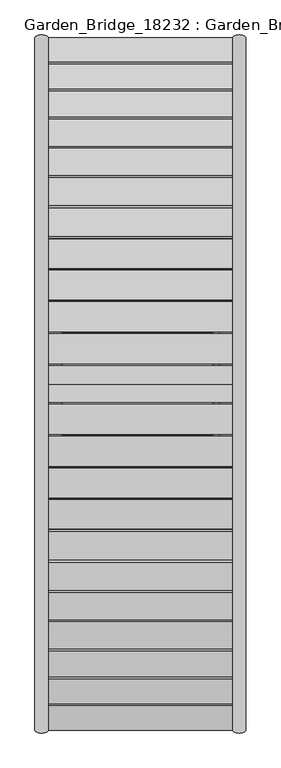
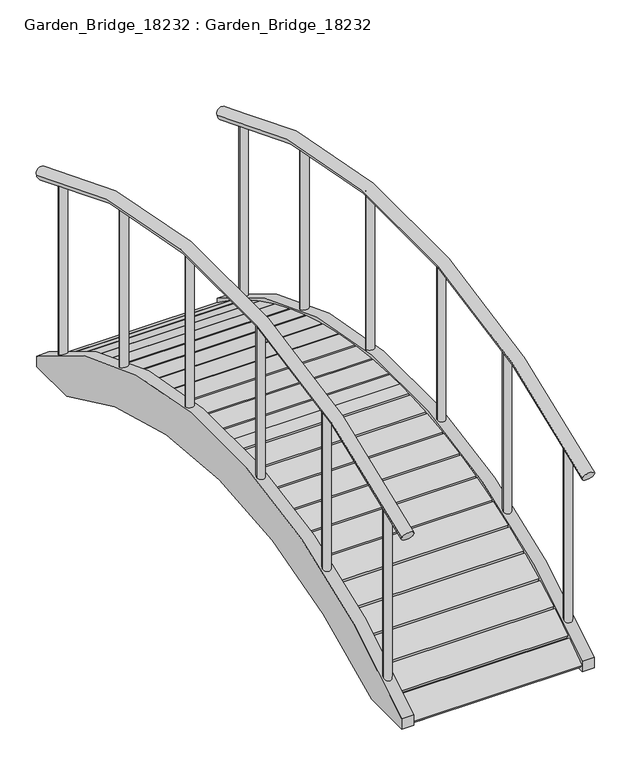
"""IFC4 building model written with IfcOpenShell, lengths in millimetres: furniture geometry, Garden_Bridge_18232 : Garden_Bridge_18232."""

from ifc_helpers import new_model, si_unit, point, frame, frame_2d, origin, place, context, project, spatial, polyline, circle_curve, ellipse_curve, trimmed, segment, composite_curve, outline, extrude, source, transform, mapped, element, save
from ifc_brep_helpers import plane_surface, revolved_surface, advanced_brep


def garden_bridge_18232_garden_bridge_18232_38fe058c(model_context):
    return source(origin(), model_context, "Body", "SolidModel", [
        extrude(outline(composite_curve([segment(trimmed(circle_curve(frame_2d((1687.5, 2386.9966069)), 15.0), [point((1672.5, 2386.9966069))], [point((1702.5, 2386.9966069))], False, "CARTESIAN"), True, "CONTINUOUS"), segment(trimmed(circle_curve(frame_2d((1687.5, 2386.9966069)), 15.0), [point((1702.5, 2386.9966069))], [point((1672.5, 2386.9966069))], False, "CARTESIAN"), True, "CONTINUOUS")], self_intersect=False)), frame((0.0, 0.0, 795.6979368), z_axis=(0.0, 0.0, 1.0), x_axis=(1.0, 0.0, 0.0)), (0.0, 0.0, 1.0), 695.0),
        extrude(outline(composite_curve([segment(trimmed(circle_curve(frame_2d((1022.5, 1514.161666)), 15.0), [point((1037.5, 1514.161666))], [point((1007.5, 1514.161666))], False, "CARTESIAN"), True, "CONTINUOUS"), segment(trimmed(circle_curve(frame_2d((1022.5, 1514.161666)), 15.0), [point((1007.5, 1514.161666))], [point((1037.5, 1514.161666))], False, "CARTESIAN"), True, "CONTINUOUS")], self_intersect=False)), frame((0.0, 0.0, 727.809595), z_axis=(0.0, 0.0, 1.0), x_axis=(1.0, 0.0, 0.0)), (0.0, 0.0, 1.0), 695.0),
        extrude(outline(composite_curve([segment(trimmed(circle_curve(frame_2d((1022.5, 1934.2337198)), 15.0), [point((1037.5, 1934.2337198))], [point((1007.5, 1934.2337198))], False, "CARTESIAN"), True, "CONTINUOUS"), segment(trimmed(circle_curve(frame_2d((1022.5, 1934.2337198)), 15.0), [point((1007.5, 1934.2337198))], [point((1037.5, 1934.2337198))], False, "CARTESIAN"), True, "CONTINUOUS")], self_intersect=False)), frame((0.0, 0.0, 795.6979368), z_axis=(0.0, 0.0, 1.0), x_axis=(1.0, 0.0, 0.0)), (0.0, 0.0, 1.0), 695.0),
        extrude(outline(composite_curve([segment(trimmed(circle_curve(frame_2d((1022.5, 2386.9966069)), 15.0), [point((1037.5, 2386.9966069))], [point((1007.5, 2386.9966069))], False, "CARTESIAN"), True, "CONTINUOUS"), segment(trimmed(circle_curve(frame_2d((1022.5, 2386.9966069)), 15.0), [point((1007.5, 2386.9966069))], [point((1037.5, 2386.9966069))], False, "CARTESIAN"), True, "CONTINUOUS")], self_intersect=False)), frame((0.0, 0.0, 795.6979368), z_axis=(0.0, 0.0, 1.0), x_axis=(1.0, 0.0, 0.0)), (0.0, 0.0, 1.0), 695.0),
        extrude(outline(composite_curve([segment(trimmed(circle_curve(frame_2d((1022.5, 2807.0686606)), 15.0), [point((1037.5, 2807.0686606))], [point((1007.5, 2807.0686606))], False, "CARTESIAN"), True, "CONTINUOUS"), segment(trimmed(circle_curve(frame_2d((1022.5, 2807.0686606)), 15.0), [point((1007.5, 2807.0686606))], [point((1037.5, 2807.0686606))], False, "CARTESIAN"), True, "CONTINUOUS")], self_intersect=False)), frame((0.0, 0.0, 727.809595), z_axis=(0.0, 0.0, 1.0), x_axis=(1.0, 0.0, 0.0)), (0.0, 0.0, 1.0), 695.0),
        extrude(outline(composite_curve([segment(trimmed(circle_curve(frame_2d((1022.5, 3195.0213707)), 15.0), [point((1037.5, 3195.0213707))], [point((1007.5, 3195.0213707))], False, "CARTESIAN"), True, "CONTINUOUS"), segment(trimmed(circle_curve(frame_2d((1022.5, 3195.0213707)), 15.0), [point((1007.5, 3195.0213707))], [point((1037.5, 3195.0213707))], False, "CARTESIAN"), True, "CONTINUOUS")], self_intersect=False)), frame((0.0, 0.0, 584.3013656), z_axis=(0.0, 0.0, 1.0), x_axis=(1.0, 0.0, 0.0)), (0.0, 0.0, 1.0), 695.0),
        extrude(outline(composite_curve([segment(trimmed(circle_curve(frame_2d((1687.5, 3195.0213707)), 15.0), [point((1672.5, 3195.0213707))], [point((1702.5, 3195.0213707))], False, "CARTESIAN"), True, "CONTINUOUS"), segment(trimmed(circle_curve(frame_2d((1687.5, 3195.0213707)), 15.0), [point((1702.5, 3195.0213707))], [point((1672.5, 3195.0213707))], False, "CARTESIAN"), True, "CONTINUOUS")], self_intersect=False)), frame((0.0, 0.0, 584.3013656), z_axis=(0.0, 0.0, 1.0), x_axis=(1.0, 0.0, 0.0)), (0.0, 0.0, 1.0), 695.0),
        extrude(outline(composite_curve([segment(trimmed(circle_curve(frame_2d((1687.5, 2807.0686606)), 15.0), [point((1672.5, 2807.0686606))], [point((1702.5, 2807.0686606))], False, "CARTESIAN"), True, "CONTINUOUS"), segment(trimmed(circle_curve(frame_2d((1687.5, 2807.0686606)), 15.0), [point((1702.5, 2807.0686606))], [point((1672.5, 2807.0686606))], False, "CARTESIAN"), True, "CONTINUOUS")], self_intersect=False)), frame((0.0, 0.0, 727.809595), z_axis=(0.0, 0.0, 1.0), x_axis=(1.0, 0.0, 0.0)), (0.0, 0.0, 1.0), 695.0),
        extrude(outline(composite_curve([segment(trimmed(circle_curve(frame_2d((1687.5, 1934.2337198)), 15.0), [point((1672.5, 1934.2337198))], [point((1702.5, 1934.2337198))], False, "CARTESIAN"), True, "CONTINUOUS"), segment(trimmed(circle_curve(frame_2d((1687.5, 1934.2337198)), 15.0), [point((1702.5, 1934.2337198))], [point((1672.5, 1934.2337198))], False, "CARTESIAN"), True, "CONTINUOUS")], self_intersect=False)), frame((0.0, 0.0, 795.6979368), z_axis=(0.0, 0.0, 1.0), x_axis=(1.0, 0.0, 0.0)), (0.0, 0.0, 1.0), 695.0),
        extrude(outline(composite_curve([segment(trimmed(circle_curve(frame_2d((1687.5, 1514.161666)), 15.0), [point((1672.5, 1514.161666))], [point((1702.5, 1514.161666))], False, "CARTESIAN"), True, "CONTINUOUS"), segment(trimmed(circle_curve(frame_2d((1687.5, 1514.161666)), 15.0), [point((1702.5, 1514.161666))], [point((1672.5, 1514.161666))], False, "CARTESIAN"), True, "CONTINUOUS")], self_intersect=False)), frame((0.0, 0.0, 727.809595), z_axis=(0.0, 0.0, 1.0), x_axis=(1.0, 0.0, 0.0)), (0.0, 0.0, 1.0), 695.0),
        extrude(outline(composite_curve([segment(trimmed(circle_curve(frame_2d((1687.5, 1126.2089559)), 15.0), [point((1672.5, 1126.2089559))], [point((1702.5, 1126.2089559))], False, "CARTESIAN"), True, "CONTINUOUS"), segment(trimmed(circle_curve(frame_2d((1687.5, 1126.2089559)), 15.0), [point((1702.5, 1126.2089559))], [point((1672.5, 1126.2089559))], False, "CARTESIAN"), True, "CONTINUOUS")], self_intersect=False)), frame((0.0, 0.0, 584.3013656), z_axis=(0.0, 0.0, 1.0), x_axis=(1.0, 0.0, 0.0)), (0.0, 0.0, 1.0), 695.0),
        extrude(outline(composite_curve([segment(trimmed(circle_curve(frame_2d((1022.5, 1126.2089559)), 15.0), [point((1007.5, 1126.2089559))], [point((1037.5, 1126.2089559))], False, "CARTESIAN"), True, "CONTINUOUS"), segment(trimmed(circle_curve(frame_2d((1022.5, 1126.2089559)), 15.0), [point((1037.5, 1126.2089559))], [point((1007.5, 1126.2089559))], False, "CARTESIAN"), True, "CONTINUOUS")], self_intersect=False)), frame((0.0, 0.0, 584.3013656), z_axis=(0.0, 0.0, 1.0), x_axis=(1.0, 0.0, 0.0)), (0.0, 0.0, 1.0), 695.0),
        advanced_brep(
        [(1710.0, 996.2188274, 1223.2400798), (1665.0, 996.2188274, 1223.2400798), (1710.0, 3325.0114992, 1223.2400798), (1665.0, 3325.0114992, 1223.2400798)],
        [
            (0, 1, circle_curve(frame((1687.5, 996.2188274, 1223.2400798), z_axis=(0.0, -0.8901211417157568, -0.45572398781569257), x_axis=(-1.0, 0.0, 0.0)), 22.5)),
            (1, 0, circle_curve(frame((1687.5, 996.2188274, 1223.2400798), z_axis=(0.0, -0.8901211417157568, -0.45572398781569257), x_axis=(-1.0, 0.0, 0.0)), 22.5)),
            (2, 3, circle_curve(frame((1687.5, 3325.0114992, 1223.2400798), z_axis=(0.0, 0.8901211417157651, -0.45572398781567647), x_axis=(-1.0, 0.0, 0.0)), 22.5)),
            (3, 2, circle_curve(frame((1687.5, 3325.0114992, 1223.2400798), z_axis=(0.0, 0.8901211417157651, -0.45572398781567647), x_axis=(-1.0, 0.0, 0.0)), 22.5)),
            (3, 1, circle_curve(frame((1665.0, 2160.6151633, -1051.0615229), z_axis=(1.0, 0.0, 0.0), x_axis=(0.0, -0.45572398781569573, 0.8901211417157552)), 2555.0472808)),
            (0, 2, circle_curve(frame((1710.0, 2160.6151633, -1051.0615229), z_axis=(-1.0, 0.0, 0.0), x_axis=(0.0, -0.45572398781569573, 0.8901211417157552)), 2555.0472808)),
        ],
        [
            plane_surface(frame((1687.5, 996.2188274, 1223.2400798), z_axis=(0.0, -0.8901211417157553, -0.4557239878156958), x_axis=(1.0, 0.0, 0.0))),
            plane_surface(frame((1687.5, 3325.0114992, 1223.2400798), z_axis=(0.0, 0.8901211417157667, -0.4557239878156733), x_axis=(1.0, 0.0, 0.0))),
            revolved_surface(trimmed(ellipse_curve(frame((1687.5, 996.2188274, 1223.2400798), z_axis=(0.0, -0.8901211417157568, -0.45572398781569257), x_axis=(-1.0, 0.0, 0.0)), 22.5, 22.5), [point((1710.0, 996.2188274, 1223.2400798))], [point((1665.0, 996.2188274, 1223.2400798))], True, "CARTESIAN"), (1687.5, 2160.6151633, -1051.0615229), (-1.0, 0.0, 0.0)),
            revolved_surface(trimmed(ellipse_curve(frame((1687.5, 996.2188274, 1223.2400798), z_axis=(0.0, -0.8901211417157568, -0.45572398781569257), x_axis=(-1.0, 0.0, 0.0)), 22.5, 22.5), [point((1665.0, 996.2188274, 1223.2400798))], [point((1710.0, 996.2188274, 1223.2400798))], True, "CARTESIAN"), (1687.5, 2160.6151633, -1051.0615229), (-1.0, 0.0, 0.0)),
        ],
        [
            (0, [[1, 2]]),
            (1, [[3, 4]]),
            (2, [[5, -1, 6, -4]]),
            (3, [[-6, -2, -5, -3]]),
        ],
    ),
        advanced_brep(
        [(1045.0, 996.2188274, 1223.2400798), (1000.0, 996.2188274, 1223.2400798), (1045.0, 3325.0114992, 1223.2400798), (1000.0, 3325.0114992, 1223.2400798)],
        [
            (0, 1, circle_curve(frame((1022.5, 996.2188274, 1223.2400798), z_axis=(0.0, -0.8901211417157568, -0.45572398781569257), x_axis=(-1.0, 0.0, 0.0)), 22.5)),
            (1, 0, circle_curve(frame((1022.5, 996.2188274, 1223.2400798), z_axis=(0.0, -0.8901211417157568, -0.45572398781569257), x_axis=(-1.0, 0.0, 0.0)), 22.5)),
            (2, 3, circle_curve(frame((1022.5, 3325.0114992, 1223.2400798), z_axis=(0.0, 0.8901211417157651, -0.45572398781567647), x_axis=(-1.0, 0.0, 0.0)), 22.5)),
            (3, 2, circle_curve(frame((1022.5, 3325.0114992, 1223.2400798), z_axis=(0.0, 0.8901211417157651, -0.45572398781567647), x_axis=(-1.0, 0.0, 0.0)), 22.5)),
            (3, 1, circle_curve(frame((1000.0, 2160.6151633, -1051.0615229), z_axis=(1.0, 0.0, 0.0), x_axis=(0.0, -0.45572398781569573, 0.8901211417157552)), 2555.0472808)),
            (0, 2, circle_curve(frame((1045.0, 2160.6151633, -1051.0615229), z_axis=(-1.0, 0.0, 0.0), x_axis=(0.0, -0.45572398781569573, 0.8901211417157552)), 2555.0472808)),
        ],
        [
            plane_surface(frame((1022.5, 996.2188274, 1223.2400798), z_axis=(0.0, -0.8901211417157553, -0.4557239878156958), x_axis=(1.0, 0.0, 0.0))),
            plane_surface(frame((1022.5, 3325.0114992, 1223.2400798), z_axis=(0.0, 0.8901211417157667, -0.4557239878156733), x_axis=(1.0, 0.0, 0.0))),
            revolved_surface(trimmed(ellipse_curve(frame((1022.5, 996.2188274, 1223.2400798), z_axis=(0.0, -0.8901211417157568, -0.45572398781569257), x_axis=(-1.0, 0.0, 0.0)), 22.5, 22.5), [point((1045.0, 996.2188274, 1223.2400798))], [point((1000.0, 996.2188274, 1223.2400798))], True, "CARTESIAN"), (1022.5, 2160.6151633, -1051.0615229), (-1.0, 0.0, 0.0)),
            revolved_surface(trimmed(ellipse_curve(frame((1022.5, 996.2188274, 1223.2400798), z_axis=(0.0, -0.8901211417157568, -0.45572398781569257), x_axis=(-1.0, 0.0, 0.0)), 22.5, 22.5), [point((1000.0, 996.2188274, 1223.2400798))], [point((1045.0, 996.2188274, 1223.2400798))], True, "CARTESIAN"), (1022.5, 2160.6151633, -1051.0615229), (-1.0, 0.0, 0.0)),
        ],
        [
            (0, [[1, 2]]),
            (1, [[3, 4]]),
            (2, [[5, -1, 6, -4]]),
            (3, [[-6, -2, -5, -3]]),
        ],
    ),
        extrude(outline(composite_curve([segment(trimmed(circle_curve(frame_2d((2160.6151633, -1179.7863941)), 1915.0472808), [point((3133.4714416, 469.745888))], [point((1187.758885, 469.745888))], True, "CARTESIAN"), True, "CONTINUOUS"), segment(polyline([(1187.758885, 469.745888), (996.2188274, 469.745888), (996.2188274, 510.6883887)]), True, "CONTINUOUS"), segment(trimmed(circle_curve(frame_2d((2160.6151633, -1059.7863941)), 1955.0472808), [point((996.2188274, 510.6883887))], [point((3325.0114992, 510.6883887))], False, "CARTESIAN"), True, "CONTINUOUS"), segment(polyline([(3325.0114992, 510.6883887), (3325.0114992, 469.745888), (3133.4714416, 469.745888)]), True, "CONTINUOUS")], self_intersect=False)), frame((1665.0, 0.0, 0.0), z_axis=(1.0, 0.0, 0.0), x_axis=(0.0, 1.0, 0.0)), (0.0, 0.0, 1.0), 45.0),
        extrude(outline(composite_curve([segment(trimmed(circle_curve(frame_2d((2160.6151633, -1171.0615229)), 1915.0472808), [point((3133.4714416, 478.4707591))], [point((1187.758885, 478.4707591))], True, "CARTESIAN"), True, "CONTINUOUS"), segment(polyline([(1187.758885, 478.4707591), (996.2188274, 478.4707591), (996.2188274, 519.4132598)]), True, "CONTINUOUS"), segment(trimmed(circle_curve(frame_2d((2160.6151633, -1051.0615229)), 1955.0472808), [point((996.2188274, 519.4132598))], [point((3325.0114992, 519.4132598))], False, "CARTESIAN"), True, "CONTINUOUS"), segment(polyline([(3325.0114992, 519.4132598), (3325.0114992, 478.4707591), (3133.4714416, 478.4707591)]), True, "CONTINUOUS")], self_intersect=False)), frame((1000.0, 0.0, 0.0), z_axis=(1.0, 0.0, 0.0), x_axis=(0.0, 1.0, 0.0)), (0.0, 0.0, 1.0), 45.0),
        extrude(outline(composite_curve([segment(trimmed(circle_curve(frame_2d((2160.6151633, -1171.0615229)), 1915.0472808), [point((3133.4714416, 478.4707591))], [point((1187.758885, 478.4707591))], True, "CARTESIAN"), True, "CONTINUOUS"), segment(polyline([(1187.758885, 478.4707591), (1008.2536376, 478.4707591)]), True, "CONTINUOUS"), segment(trimmed(circle_curve(frame_2d((2160.6151633, -1051.0615229)), 1915.0472808), [point((1008.2536376, 478.4707591))], [point((3312.976689, 478.4707591))], False, "CARTESIAN"), True, "CONTINUOUS"), segment(polyline([(3312.976689, 478.4707591), (3133.4714416, 478.4707591)]), True, "CONTINUOUS")], self_intersect=False)), frame((1622.5, 0.0, 0.0), z_axis=(1.0, 0.0, 0.0), x_axis=(0.0, 1.0, 0.0)), (0.0, 0.0, 1.0), 45.0),
        extrude(outline(composite_curve([segment(trimmed(circle_curve(frame_2d((2160.6151633, -1171.0615229)), 1915.0472808), [point((3133.4714416, 478.4707591))], [point((1187.758885, 478.4707591))], True, "CARTESIAN"), True, "CONTINUOUS"), segment(polyline([(1187.758885, 478.4707591), (1008.2536376, 478.4707591)]), True, "CONTINUOUS"), segment(trimmed(circle_curve(frame_2d((2160.6151633, -1051.0615229)), 1915.0472808), [point((1008.2536376, 478.4707591))], [point((3312.976689, 478.4707591))], False, "CARTESIAN"), True, "CONTINUOUS"), segment(polyline([(3312.976689, 478.4707591), (3133.4714416, 478.4707591)]), True, "CONTINUOUS")], self_intersect=False)), frame((1600.0, 0.0, 0.0), z_axis=(1.0, 0.0, 0.0), x_axis=(0.0, 1.0, 0.0)), (0.0, 0.0, 1.0), 45.0),
        extrude(outline(composite_curve([segment(polyline([(3232.3968488, 535.9766324), (3243.5901148, 552.5510342)]), True, "CONTINUOUS"), segment(trimmed(circle_curve(frame_2d((2160.6151633, -1051.0615229)), 1935.0472808), [point((3243.5901148, 552.5510342))], [point((3325.0114992, 494.4445922))], False, "CARTESIAN"), True, "CONTINUOUS"), segment(polyline([(3325.0114992, 494.4445922), (3312.976689, 478.4707591)]), True, "CONTINUOUS"), segment(trimmed(circle_curve(frame_2d((2160.6151633, -1051.0615229)), 1915.0472808), [point((3312.976689, 478.4707591))], [point((3232.3968488, 535.9766324))], True, "CARTESIAN"), True, "CONTINUOUS")], self_intersect=False)), frame((1045.0, 0.0, 0.0), z_axis=(1.0, 0.0, 0.0), x_axis=(0.0, 1.0, 0.0)), (0.0, 0.0, 1.0), 622.5),
        extrude(outline(composite_curve([segment(trimmed(circle_curve(frame_2d((2160.6151633, -1051.0615229)), 1935.0472808), [point((2160.6151633, 883.9857579))], [point((2221.4219681, 883.0301273))], False, "CARTESIAN"), True, "CONTINUOUS"), segment(polyline([(2221.4219681, 883.0301273), (2220.7108441, 863.0426009)]), True, "CONTINUOUS"), segment(trimmed(circle_curve(frame_2d((2160.6151633, -1051.0615229)), 1915.0472808), [point((2220.7108441, 863.0426009))], [point((2160.6151633, 863.9857579))], True, "CARTESIAN"), True, "CONTINUOUS"), segment(polyline([(2160.6151633, 863.9857579), (2160.6151633, 883.9857579)]), True, "CONTINUOUS")], self_intersect=False)), frame((1045.0, 0.0, 0.0), z_axis=(1.0, 0.0, 0.0), x_axis=(0.0, 1.0, 0.0)), (0.0, 0.0, 1.0), 622.5),
        extrude(outline(composite_curve([segment(trimmed(circle_curve(frame_2d((2160.6151633, -1051.0615229)), 1915.0472808), [point((3225.7577362, 540.440091))], [point((3142.1495131, 593.3217681))], True, "CARTESIAN"), True, "CONTINUOUS"), segment(polyline([(3142.1495131, 593.3217681), (3152.4002715, 610.49506)]), True, "CONTINUOUS"), segment(trimmed(circle_curve(frame_2d((2160.6151633, -1051.0615229)), 1935.0472808), [point((3152.4002715, 610.49506))], [point((3236.9510989, 557.014636))], False, "CARTESIAN"), True, "CONTINUOUS"), segment(polyline([(3236.9510989, 557.014636), (3225.7577362, 540.440091)]), True, "CONTINUOUS")], self_intersect=False)), frame((1045.0, 0.0, 0.0), z_axis=(1.0, 0.0, 0.0), x_axis=(0.0, 1.0, 0.0)), (0.0, 0.0, 1.0), 622.5),
        extrude(outline(composite_curve([segment(polyline([(3048.8422688, 645.5405803), (3058.1185631, 663.2592249)]), True, "CONTINUOUS"), segment(trimmed(circle_curve(frame_2d((2160.6151633, -1051.0615229)), 1935.0472808), [point((3058.1185631, 663.2592249))], [point((3145.5224789, 614.5811635))], False, "CARTESIAN"), True, "CONTINUOUS"), segment(polyline([(3145.5224789, 614.5811635), (3135.271632, 597.4077233)]), True, "CONTINUOUS"), segment(trimmed(circle_curve(frame_2d((2160.6151633, -1051.0615229)), 1915.0472808), [point((3135.271632, 597.4077233))], [point((3048.8422688, 645.5405803))], True, "CARTESIAN"), True, "CONTINUOUS")], self_intersect=False)), frame((1045.0, 0.0, 0.0), z_axis=(1.0, 0.0, 0.0), x_axis=(0.0, 1.0, 0.0)), (0.0, 0.0, 1.0), 622.5),
        extrude(outline(composite_curve([segment(polyline([(2952.7659989, 692.4702782), (2961.0389104, 710.679038)]), True, "CONTINUOUS"), segment(trimmed(circle_curve(frame_2d((2160.6151633, -1051.0615229)), 1935.0472808), [point((2961.0389104, 710.679038))], [point((3051.0234351, 666.9550918))], False, "CARTESIAN"), True, "CONTINUOUS"), segment(polyline([(3051.0234351, 666.9550918), (3041.7470607, 649.2362943)]), True, "CONTINUOUS"), segment(trimmed(circle_curve(frame_2d((2160.6151633, -1051.0615229)), 1915.0472808), [point((3041.7470607, 649.2362943))], [point((2952.7659989, 692.4702782))], True, "CARTESIAN"), True, "CONTINUOUS")], self_intersect=False)), frame((1045.0, 0.0, 0.0), z_axis=(1.0, 0.0, 0.0), x_axis=(0.0, 1.0, 0.0)), (0.0, 0.0, 1.0), 622.5),
        extrude(outline(composite_curve([segment(polyline([(2854.2202186, 733.9645595), (2861.4639568, 752.6066693)]), True, "CONTINUOUS"), segment(trimmed(circle_curve(frame_2d((2160.6151633, -1051.0615229)), 1935.0472808), [point((2861.4639568, 752.6066693))], [point((2953.7485659, 713.9731466))], False, "CARTESIAN"), True, "CONTINUOUS"), segment(polyline([(2953.7485659, 713.9731466), (2945.475583, 695.7642295)]), True, "CONTINUOUS"), segment(trimmed(circle_curve(frame_2d((2160.6151633, -1051.0615229)), 1915.0472808), [point((2945.475583, 695.7642295))], [point((2854.2202186, 733.9645595))], True, "CARTESIAN"), True, "CONTINUOUS")], self_intersect=False)), frame((1045.0, 0.0, 0.0), z_axis=(1.0, 0.0, 0.0), x_axis=(0.0, 1.0, 0.0)), (0.0, 0.0, 1.0), 622.5),
        extrude(outline(composite_curve([segment(polyline([(2753.5121421, 769.894067), (2759.7041247, 788.9114104)]), True, "CONTINUOUS"), segment(trimmed(circle_curve(frame_2d((2160.6151633, -1051.0615229)), 1935.0472808), [point((2759.7041247, 788.9114104))], [point((2854.0011233, 755.4887502))], False, "CARTESIAN"), True, "CONTINUOUS"), segment(polyline([(2854.0011233, 755.4887502), (2846.7573226, 736.8464795)]), True, "CONTINUOUS"), segment(trimmed(circle_curve(frame_2d((2160.6151633, -1051.0615229)), 1915.0472808), [point((2846.7573226, 736.8464795))], [point((2753.5121421, 769.894067))], True, "CARTESIAN"), True, "CONTINUOUS")], self_intersect=False)), frame((1045.0, 0.0, 0.0), z_axis=(1.0, 0.0, 0.0), x_axis=(0.0, 1.0, 0.0)), (0.0, 0.0, 1.0), 622.5),
        extrude(outline(composite_curve([segment(polyline([(2650.9557241, 800.1467912), (2656.0766479, 819.4800821)]), True, "CONTINUOUS"), segment(trimmed(circle_curve(frame_2d((2160.6151633, -1051.0615229)), 1935.0472808), [point((2656.0766479, 819.4800821))], [point((2752.0920675, 791.3724788))], False, "CARTESIAN"), True, "CONTINUOUS"), segment(polyline([(2752.0920675, 791.3724788), (2745.9000313, 772.3549712)]), True, "CONTINUOUS"), segment(trimmed(circle_curve(frame_2d((2160.6151633, -1051.0615229)), 1915.0472808), [point((2745.9000313, 772.3549712))], [point((2650.9557241, 800.1467912))], True, "CARTESIAN"), True, "CONTINUOUS")], self_intersect=False)), frame((1045.0, 0.0, 0.0), z_axis=(1.0, 0.0, 0.0), x_axis=(0.0, 1.0, 0.0)), (0.0, 0.0, 1.0), 622.5),
        extrude(outline(composite_curve([segment(polyline([(2546.8706818, 824.6284201), (2550.9045824, 844.2173875)]), True, "CONTINUOUS"), segment(trimmed(circle_curve(frame_2d((2160.6151633, -1051.0615229)), 1935.0472808), [point((2550.9045824, 844.2173875))], [point((2648.3390972, 821.5124658))], False, "CARTESIAN"), True, "CONTINUOUS"), segment(polyline([(2648.3390972, 821.5124658), (2643.2181292, 802.1790079)]), True, "CONTINUOUS"), segment(trimmed(circle_curve(frame_2d((2160.6151633, -1051.0615229)), 1915.0472808), [point((2643.2181292, 802.1790079))], [point((2546.8706818, 824.6284201))], True, "CARTESIAN"), True, "CONTINUOUS")], self_intersect=False)), frame((1045.0, 0.0, 0.0), z_axis=(1.0, 0.0, 0.0), x_axis=(0.0, 1.0, 0.0)), (0.0, 0.0, 1.0), 622.5),
        extrude(outline(composite_curve([segment(polyline([(2441.5814976, 843.2626328), (2444.5157994, 863.0462086)]), True, "CONTINUOUS"), segment(trimmed(circle_curve(frame_2d((2160.6151633, -1051.0615229)), 1935.0472808), [point((2444.5157994, 863.0462086))], [point((2543.0656599, 845.8147505))], False, "CARTESIAN"), True, "CONTINUOUS"), segment(polyline([(2543.0656599, 845.8147505), (2539.0317245, 826.2256139)]), True, "CONTINUOUS"), segment(trimmed(circle_curve(frame_2d((2160.6151633, -1051.0615229)), 1915.0472808), [point((2539.0317245, 826.2256139))], [point((2441.5814976, 843.2626328))], True, "CARTESIAN"), True, "CONTINUOUS")], self_intersect=False)), frame((1045.0, 0.0, 0.0), z_axis=(1.0, 0.0, 0.0), x_axis=(0.0, 1.0, 0.0)), (0.0, 0.0, 1.0), 622.5),
        extrude(outline(composite_curve([segment(polyline([(2335.4164079, 855.9913376), (2337.2419633, 875.907847)]), True, "CONTINUOUS"), segment(trimmed(circle_curve(frame_2d((2160.6151633, -1051.0615229)), 1935.0472808), [point((2337.2419633, 875.907847))], [point((2436.5999428, 864.2035711))], False, "CARTESIAN"), True, "CONTINUOUS"), segment(polyline([(2436.5999428, 864.2035711), (2433.6656157, 844.4198244)]), True, "CONTINUOUS"), segment(trimmed(circle_curve(frame_2d((2160.6151633, -1051.0615229)), 1915.0472808), [point((2433.6656157, 844.4198244))], [point((2335.4164079, 855.9913376))], True, "CARTESIAN"), True, "CONTINUOUS")], self_intersect=False)), frame((1045.0, 0.0, 0.0), z_axis=(1.0, 0.0, 0.0), x_axis=(0.0, 1.0, 0.0)), (0.0, 0.0, 1.0), 622.5),
        extrude(outline(composite_curve([segment(polyline([(2228.7063798, 862.774853), (2229.4174976, 882.7622068)]), True, "CONTINUOUS"), segment(trimmed(circle_curve(frame_2d((2160.6151633, -1051.0615229)), 1935.0472808), [point((2229.4174976, 882.7622068))], [point((2329.2738501, 876.621601))], False, "CARTESIAN"), True, "CONTINUOUS"), segment(polyline([(2329.2738501, 876.621601), (2327.4482789, 856.7049196)]), True, "CONTINUOUS"), segment(trimmed(circle_curve(frame_2d((2160.6151633, -1051.0615229)), 1915.0472808), [point((2327.4482789, 856.7049196))], [point((2228.7063798, 862.774853))], True, "CARTESIAN"), True, "CONTINUOUS")], self_intersect=False)), frame((1045.0, 0.0, 0.0), z_axis=(1.0, 0.0, 0.0), x_axis=(0.0, 1.0, 0.0)), (0.0, 0.0, 1.0), 622.5),
        extrude(outline(composite_curve([segment(trimmed(circle_curve(frame_2d((2160.6151633, -1051.0615229)), 1915.0472808), [point((1088.8334778, 535.9766324))], [point((1008.2536376, 478.4707591))], True, "CARTESIAN"), True, "CONTINUOUS"), segment(polyline([(1008.2536376, 478.4707591), (996.2188274, 494.4445922)]), True, "CONTINUOUS"), segment(trimmed(circle_curve(frame_2d((2160.6151633, -1051.0615229)), 1935.0472808), [point((996.2188274, 494.4445922))], [point((1077.6402118, 552.5510342))], False, "CARTESIAN"), True, "CONTINUOUS"), segment(polyline([(1077.6402118, 552.5510342), (1088.8334778, 535.9766324)]), True, "CONTINUOUS")], self_intersect=False)), frame((1045.0, 0.0, 0.0), z_axis=(1.0, 0.0, 0.0), x_axis=(0.0, 1.0, 0.0)), (0.0, 0.0, 1.0), 622.5),
        extrude(outline(composite_curve([segment(polyline([(2160.6151633, 883.9857579), (2160.6151633, 863.9857579)]), True, "CONTINUOUS"), segment(trimmed(circle_curve(frame_2d((2160.6151633, -1051.0615229)), 1915.0472808), [point((2160.6151633, 863.9857579))], [point((2100.5194825, 863.0426009))], True, "CARTESIAN"), True, "CONTINUOUS"), segment(polyline([(2100.5194825, 863.0426009), (2099.8083585, 883.0301273)]), True, "CONTINUOUS"), segment(trimmed(circle_curve(frame_2d((2160.6151633, -1051.0615229)), 1935.0472808), [point((2099.8083585, 883.0301273))], [point((2160.6151633, 883.9857579))], False, "CARTESIAN"), True, "CONTINUOUS")], self_intersect=False)), frame((1045.0, 0.0, 0.0), z_axis=(1.0, 0.0, 0.0), x_axis=(0.0, 1.0, 0.0)), (0.0, 0.0, 1.0), 622.5),
        extrude(outline(composite_curve([segment(polyline([(1095.4725904, 540.440091), (1084.2792277, 557.014636)]), True, "CONTINUOUS"), segment(trimmed(circle_curve(frame_2d((2160.6151633, -1051.0615229)), 1935.0472808), [point((1084.2792277, 557.014636))], [point((1168.8300551, 610.49506))], False, "CARTESIAN"), True, "CONTINUOUS"), segment(polyline([(1168.8300551, 610.49506), (1179.0808135, 593.3217681)]), True, "CONTINUOUS"), segment(trimmed(circle_curve(frame_2d((2160.6151633, -1051.0615229)), 1915.0472808), [point((1179.0808135, 593.3217681))], [point((1095.4725904, 540.440091))], True, "CARTESIAN"), True, "CONTINUOUS")], self_intersect=False)), frame((1045.0, 0.0, 0.0), z_axis=(1.0, 0.0, 0.0), x_axis=(0.0, 1.0, 0.0)), (0.0, 0.0, 1.0), 622.5),
        extrude(outline(composite_curve([segment(trimmed(circle_curve(frame_2d((2160.6151633, -1051.0615229)), 1915.0472808), [point((1272.3880578, 645.5405803))], [point((1185.9586947, 597.4077233))], True, "CARTESIAN"), True, "CONTINUOUS"), segment(polyline([(1185.9586947, 597.4077233), (1175.7078477, 614.5811635)]), True, "CONTINUOUS"), segment(trimmed(circle_curve(frame_2d((2160.6151633, -1051.0615229)), 1935.0472808), [point((1175.7078477, 614.5811635))], [point((1263.1117635, 663.2592249))], False, "CARTESIAN"), True, "CONTINUOUS"), segment(polyline([(1263.1117635, 663.2592249), (1272.3880578, 645.5405803)]), True, "CONTINUOUS")], self_intersect=False)), frame((1045.0, 0.0, 0.0), z_axis=(1.0, 0.0, 0.0), x_axis=(0.0, 1.0, 0.0)), (0.0, 0.0, 1.0), 622.5),
        extrude(outline(composite_curve([segment(trimmed(circle_curve(frame_2d((2160.6151633, -1051.0615229)), 1915.0472808), [point((1368.4643278, 692.4702782))], [point((1279.4832659, 649.2362943))], True, "CARTESIAN"), True, "CONTINUOUS"), segment(polyline([(1279.4832659, 649.2362943), (1270.2068915, 666.9550918)]), True, "CONTINUOUS"), segment(trimmed(circle_curve(frame_2d((2160.6151633, -1051.0615229)), 1935.0472808), [point((1270.2068915, 666.9550918))], [point((1360.1914162, 710.679038))], False, "CARTESIAN"), True, "CONTINUOUS"), segment(polyline([(1360.1914162, 710.679038), (1368.4643278, 692.4702782)]), True, "CONTINUOUS")], self_intersect=False)), frame((1045.0, 0.0, 0.0), z_axis=(1.0, 0.0, 0.0), x_axis=(0.0, 1.0, 0.0)), (0.0, 0.0, 1.0), 622.5),
        extrude(outline(composite_curve([segment(trimmed(circle_curve(frame_2d((2160.6151633, -1051.0615229)), 1915.0472808), [point((1467.010108, 733.9645595))], [point((1375.7547437, 695.7642295))], True, "CARTESIAN"), True, "CONTINUOUS"), segment(polyline([(1375.7547437, 695.7642295), (1367.4817607, 713.9731466)]), True, "CONTINUOUS"), segment(trimmed(circle_curve(frame_2d((2160.6151633, -1051.0615229)), 1935.0472808), [point((1367.4817607, 713.9731466))], [point((1459.7663698, 752.6066693))], False, "CARTESIAN"), True, "CONTINUOUS"), segment(polyline([(1459.7663698, 752.6066693), (1467.010108, 733.9645595)]), True, "CONTINUOUS")], self_intersect=False)), frame((1045.0, 0.0, 0.0), z_axis=(1.0, 0.0, 0.0), x_axis=(0.0, 1.0, 0.0)), (0.0, 0.0, 1.0), 622.5),
        extrude(outline(composite_curve([segment(trimmed(circle_curve(frame_2d((2160.6151633, -1051.0615229)), 1915.0472808), [point((1567.7181846, 769.894067))], [point((1474.473004, 736.8464795))], True, "CARTESIAN"), True, "CONTINUOUS"), segment(polyline([(1474.473004, 736.8464795), (1467.2292033, 755.4887502)]), True, "CONTINUOUS"), segment(trimmed(circle_curve(frame_2d((2160.6151633, -1051.0615229)), 1935.0472808), [point((1467.2292033, 755.4887502))], [point((1561.5262019, 788.9114104))], False, "CARTESIAN"), True, "CONTINUOUS"), segment(polyline([(1561.5262019, 788.9114104), (1567.7181846, 769.894067)]), True, "CONTINUOUS")], self_intersect=False)), frame((1045.0, 0.0, 0.0), z_axis=(1.0, 0.0, 0.0), x_axis=(0.0, 1.0, 0.0)), (0.0, 0.0, 1.0), 622.5),
        extrude(outline(composite_curve([segment(trimmed(circle_curve(frame_2d((2160.6151633, -1051.0615229)), 1915.0472808), [point((1670.2746025, 800.1467912))], [point((1575.3302953, 772.3549712))], True, "CARTESIAN"), True, "CONTINUOUS"), segment(polyline([(1575.3302953, 772.3549712), (1569.1382592, 791.3724788)]), True, "CONTINUOUS"), segment(trimmed(circle_curve(frame_2d((2160.6151633, -1051.0615229)), 1935.0472808), [point((1569.1382592, 791.3724788))], [point((1665.1536787, 819.4800821))], False, "CARTESIAN"), True, "CONTINUOUS"), segment(polyline([(1665.1536787, 819.4800821), (1670.2746025, 800.1467912)]), True, "CONTINUOUS")], self_intersect=False)), frame((1045.0, 0.0, 0.0), z_axis=(1.0, 0.0, 0.0), x_axis=(0.0, 1.0, 0.0)), (0.0, 0.0, 1.0), 622.5),
        extrude(outline(composite_curve([segment(trimmed(circle_curve(frame_2d((2160.6151633, -1051.0615229)), 1915.0472808), [point((1774.3596449, 824.6284201))], [point((1678.0121974, 802.1790079))], True, "CARTESIAN"), True, "CONTINUOUS"), segment(polyline([(1678.0121974, 802.1790079), (1672.8912294, 821.5124658)]), True, "CONTINUOUS"), segment(trimmed(circle_curve(frame_2d((2160.6151633, -1051.0615229)), 1935.0472808), [point((1672.8912294, 821.5124658))], [point((1770.3257443, 844.2173875))], False, "CARTESIAN"), True, "CONTINUOUS"), segment(polyline([(1770.3257443, 844.2173875), (1774.3596449, 824.6284201)]), True, "CONTINUOUS")], self_intersect=False)), frame((1045.0, 0.0, 0.0), z_axis=(1.0, 0.0, 0.0), x_axis=(0.0, 1.0, 0.0)), (0.0, 0.0, 1.0), 622.5),
        extrude(outline(composite_curve([segment(trimmed(circle_curve(frame_2d((2160.6151633, -1051.0615229)), 1915.0472808), [point((1879.6488291, 843.2626328))], [point((1782.1986021, 826.2256139))], True, "CARTESIAN"), True, "CONTINUOUS"), segment(polyline([(1782.1986021, 826.2256139), (1778.1646667, 845.8147505)]), True, "CONTINUOUS"), segment(trimmed(circle_curve(frame_2d((2160.6151633, -1051.0615229)), 1935.0472808), [point((1778.1646667, 845.8147505))], [point((1876.7145273, 863.0462086))], False, "CARTESIAN"), True, "CONTINUOUS"), segment(polyline([(1876.7145273, 863.0462086), (1879.6488291, 843.2626328)]), True, "CONTINUOUS")], self_intersect=False)), frame((1045.0, 0.0, 0.0), z_axis=(1.0, 0.0, 0.0), x_axis=(0.0, 1.0, 0.0)), (0.0, 0.0, 1.0), 622.5),
        extrude(outline(composite_curve([segment(trimmed(circle_curve(frame_2d((2160.6151633, -1051.0615229)), 1915.0472808), [point((1985.8139187, 855.9913376))], [point((1887.564711, 844.4198244))], True, "CARTESIAN"), True, "CONTINUOUS"), segment(polyline([(1887.564711, 844.4198244), (1884.6303838, 864.2035711)]), True, "CONTINUOUS"), segment(trimmed(circle_curve(frame_2d((2160.6151633, -1051.0615229)), 1935.0472808), [point((1884.6303838, 864.2035711))], [point((1983.9883633, 875.907847))], False, "CARTESIAN"), True, "CONTINUOUS"), segment(polyline([(1983.9883633, 875.907847), (1985.8139187, 855.9913376)]), True, "CONTINUOUS")], self_intersect=False)), frame((1045.0, 0.0, 0.0), z_axis=(1.0, 0.0, 0.0), x_axis=(0.0, 1.0, 0.0)), (0.0, 0.0, 1.0), 622.5),
        extrude(outline(composite_curve([segment(trimmed(circle_curve(frame_2d((2160.6151633, -1051.0615229)), 1915.0472808), [point((2092.5239469, 862.774853))], [point((1993.7820477, 856.7049196))], True, "CARTESIAN"), True, "CONTINUOUS"), segment(polyline([(1993.7820477, 856.7049196), (1991.9564766, 876.621601)]), True, "CONTINUOUS"), segment(trimmed(circle_curve(frame_2d((2160.6151633, -1051.0615229)), 1935.0472808), [point((1991.9564766, 876.621601))], [point((2091.812829, 882.7622068))], False, "CARTESIAN"), True, "CONTINUOUS"), segment(polyline([(2091.812829, 882.7622068), (2092.5239469, 862.774853)]), True, "CONTINUOUS")], self_intersect=False)), frame((1045.0, 0.0, 0.0), z_axis=(1.0, 0.0, 0.0), x_axis=(0.0, 1.0, 0.0)), (0.0, 0.0, 1.0), 622.5),
        extrude(outline(composite_curve([segment(trimmed(circle_curve(frame_2d((2160.6151633, -1171.0615229)), 1915.0472808), [point((3133.4714416, 478.4707591))], [point((1187.758885, 478.4707591))], True, "CARTESIAN"), True, "CONTINUOUS"), segment(polyline([(1187.758885, 478.4707591), (1008.2536376, 478.4707591)]), True, "CONTINUOUS"), segment(trimmed(circle_curve(frame_2d((2160.6151633, -1051.0615229)), 1915.0472808), [point((1008.2536376, 478.4707591))], [point((3312.976689, 478.4707591))], False, "CARTESIAN"), True, "CONTINUOUS"), segment(polyline([(3312.976689, 478.4707591), (3133.4714416, 478.4707591)]), True, "CONTINUOUS")], self_intersect=False)), frame((1045.0, 0.0, 0.0), z_axis=(1.0, 0.0, 0.0), x_axis=(0.0, 1.0, 0.0)), (0.0, 0.0, 1.0), 45.0),
    ])


if __name__ == "__main__":
    model = new_model("IFC4")
    model_context = context("Model", 3, world=origin())
    ifc_project = project(units=[si_unit("LENGTHUNIT", "METRE", prefix="MILLI")], contexts=[model_context])
    site = spatial("IfcSite", under=ifc_project)
    building = spatial("IfcBuilding", under=site)
    placement = place(None, origin())
    garden_bridge_18232_garden_bridge_18232_shape = garden_bridge_18232_garden_bridge_18232_38fe058c(model_context)
    element("IfcFurniture", 1, ObjectType="Garden_Bridge_18232 : Garden_Bridge_18232", at=placement, inside=building, context=model_context, shape_type="MappedRepresentation", body=[
        mapped(garden_bridge_18232_garden_bridge_18232_shape, transform((0.0, 0.0, 0.0), x_axis=(1.0, 0.0, 0.0), y_axis=(0.0, 1.0, 0.0), z_axis=(0.0, 0.0, 1.0))),
    ])
    save(model, "model.ifc")
